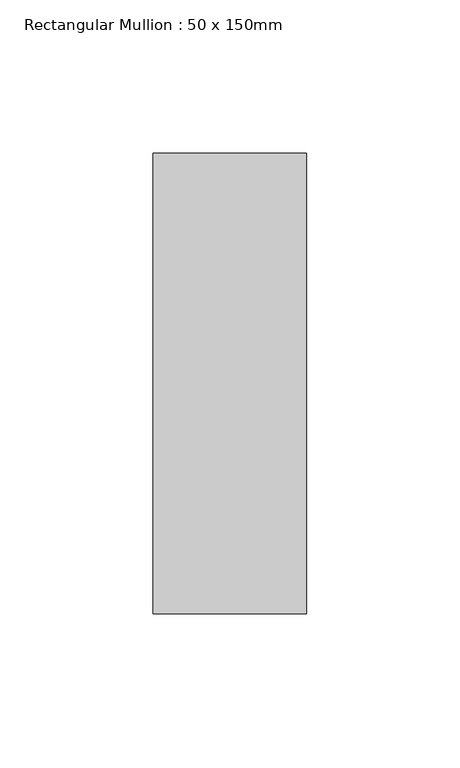
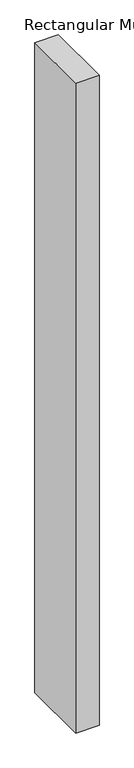
"""IFC4 building model written with IfcOpenShell, lengths in millimetres: member geometry, Rectangular Mullion : 50 x 150mm."""

from ifc_helpers import new_model, si_unit, frame, origin, place, context, project, spatial, polyline, outline, extrude, source, transform, mapped, element, save


def rectangular_mullion_50_x_150mm_6fd3d32a(model_context):
    return source(origin(), model_context, "Body", "SweptSolid", [
        extrude(outline(polyline([(25.0, 75.0), (25.0, -75.0), (-25.0, -75.0), (-25.0, 75.0), (25.0, 75.0)])), frame((0.0, 0.0, -1464.183201), z_axis=(0.0, 0.0, 1.0), x_axis=(1.0, 0.0, 0.0)), (0.0, 0.0, 1.0), 1464.183201),
    ])


if __name__ == "__main__":
    model = new_model("IFC4")
    model_context = context("Model", 3, world=origin())
    ifc_project = project(units=[si_unit("LENGTHUNIT", "METRE", prefix="MILLI")], contexts=[model_context])
    site = spatial("IfcSite", under=ifc_project)
    building = spatial("IfcBuilding", under=site)
    placement = place(None, origin())
    rectangular_mullion_50_x_150mm_shape = rectangular_mullion_50_x_150mm_6fd3d32a(model_context)
    element("IfcMember", 1, ObjectType="Rectangular Mullion : 50 x 150mm", at=placement, inside=building, context=model_context, shape_type="MappedRepresentation", body=[
        mapped(rectangular_mullion_50_x_150mm_shape, transform((0.0, 0.0, 0.0), x_axis=(1.0, 0.0, 0.0), y_axis=(0.0, 1.0, 0.0), z_axis=(0.0, 0.0, 1.0))),
    ])
    save(model, "model.ifc")
